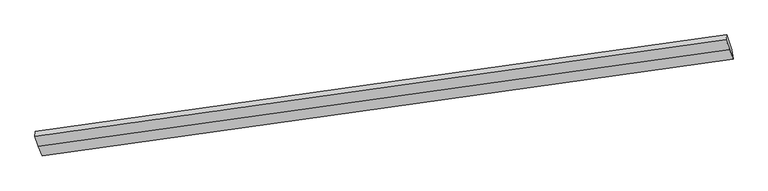
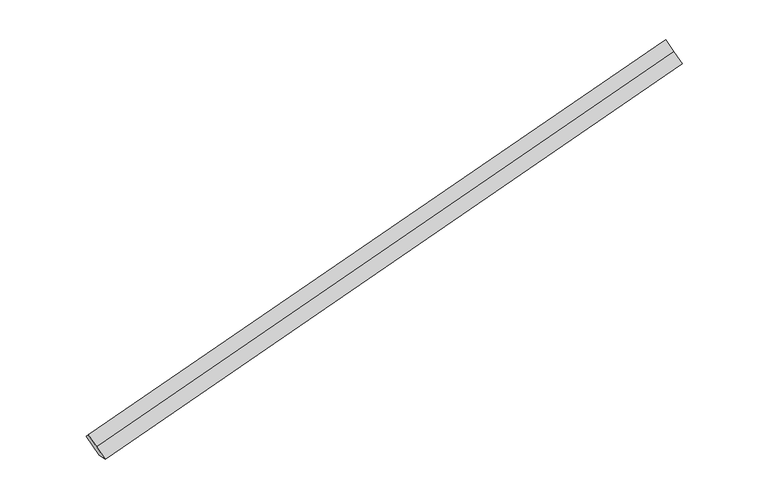
"""IFC4 building model written with IfcOpenShell, lengths in millimetres: proxy geometry."""

from ifc_helpers import new_model, si_unit, origin, place, context, project, spatial, faceted_brep, source, transform, mapped, element, save


def generic_models_8d474482(model_context):
    return source(origin(), model_context, "Body", "Brep", [
        faceted_brep([(-8732.1093135, -2392.0027447, 592.5646205), (-8671.2142304, -2558.8609652, 430.0087597), (3076.3185954, -906.361103, 3149.3298823), (3016.688058, -742.967856, 3308.5101123), (-8691.925599, -2396.7117561, 420.8981326), (3055.6072268, -744.211894, 3140.2192551), (-8738.7265851, -2268.472679, 545.8306263), (3010.0707864, -619.4377903, 3261.7761181), (-8785.5275711, -2140.2336019, 670.76312), (2964.5343461, -494.6636867, 3383.332981), (-8793.0043965, -2225.1445243, 755.1204814), (2957.0575207, -579.5746091, 3467.6903424)], [[[0, 1, 2, 3]], [[1, 4, 5, 2]], [[4, 6, 7, 5]], [[6, 8, 9, 7]], [[8, 10, 11, 9]], [[10, 0, 3, 11]], [[9, 11, 3, 2, 5, 7]], [[0, 10, 8, 6, 4, 1]]]),
    ])


if __name__ == "__main__":
    model = new_model("IFC4")
    model_context = context("Model", 3, world=origin())
    ifc_project = project(units=[si_unit("LENGTHUNIT", "METRE", prefix="MILLI")], contexts=[model_context])
    site = spatial("IfcSite", under=ifc_project)
    building = spatial("IfcBuilding", under=site)
    placement = place(None, origin())
    generic_models_shape = generic_models_8d474482(model_context)
    element("IfcBuildingElementProxy", 1, Name="Generic Models", at=placement, inside=building, context=model_context, shape_type="MappedRepresentation", body=[
        mapped(generic_models_shape, transform((0.0, 0.0, 0.0), x_axis=(1.0, 0.0, 0.0), y_axis=(0.0, 1.0, 0.0), z_axis=(0.0, 0.0, 1.0))),
    ])
    save(model, "model.ifc")
